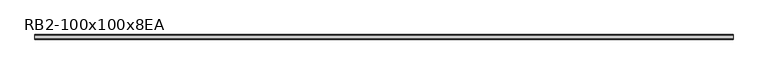
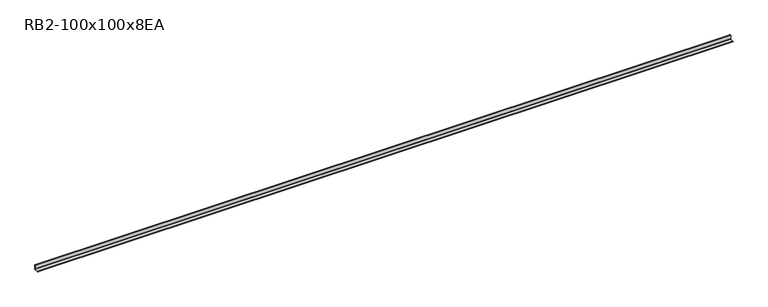
"""IFC4 building model written with IfcOpenShell, lengths in millimetres: member geometry, RB2-100x100x8EA."""

from ifc_helpers import new_model, si_unit, point, frame, frame_2d, origin, place, context, project, spatial, polyline, circle_curve, trimmed, segment, composite_curve, outline, extrude, source, transform, mapped, element, save


def rb2_100x100x8ea_4ec45c16(model_context):
    return source(origin(), model_context, "Body", "SweptSolid", [
        extrude(outline(composite_curve([segment(polyline([(27.5, -27.5), (-72.5, -27.5), (-72.5, -24.5)]), True, "CONTINUOUS"), segment(trimmed(circle_curve(frame_2d((-67.5, -24.5)), 5.0), [point((-72.5, -24.5))], [point((-67.5, -19.5))], False, "CARTESIAN"), True, "CONTINUOUS"), segment(polyline([(-67.5, -19.5), (11.5, -19.5)]), True, "CONTINUOUS"), segment(trimmed(circle_curve(frame_2d((11.5, -11.5)), 8.0), [point((11.5, -19.5))], [point((19.5, -11.5))], True, "CARTESIAN"), True, "CONTINUOUS"), segment(polyline([(19.5, -11.5), (19.5, 67.5)]), True, "CONTINUOUS"), segment(trimmed(circle_curve(frame_2d((24.5, 67.5)), 5.0), [point((19.5, 67.5))], [point((24.5, 72.5))], False, "CARTESIAN"), True, "CONTINUOUS"), segment(polyline([(24.5, 72.5), (27.5, 72.5), (27.5, -27.5)]), True, "CONTINUOUS")], self_intersect=False)), frame((-7390.3011092, 0.0, 0.0), z_axis=(1.0, 0.0, 0.0), x_axis=(0.0, 1.0, 0.0)), (0.0, 0.0, 1.0), 15028.3011092),
    ])


if __name__ == "__main__":
    model = new_model("IFC4")
    model_context = context("Model", 3, world=origin())
    ifc_project = project(units=[si_unit("LENGTHUNIT", "METRE", prefix="MILLI")], contexts=[model_context])
    site = spatial("IfcSite", under=ifc_project)
    building = spatial("IfcBuilding", under=site)
    placement = place(None, origin())
    rb2_100x100x8ea_shape = rb2_100x100x8ea_4ec45c16(model_context)
    element("IfcMember", 1, ObjectType="RB2-100x100x8EA", at=placement, inside=building, context=model_context, shape_type="MappedRepresentation", body=[
        mapped(rb2_100x100x8ea_shape, transform((0.0, 0.0, 0.0), x_axis=(1.0, 0.0, 0.0), y_axis=(0.0, 1.0, 0.0), z_axis=(0.0, 0.0, 1.0))),
    ])
    save(model, "model.ifc")
